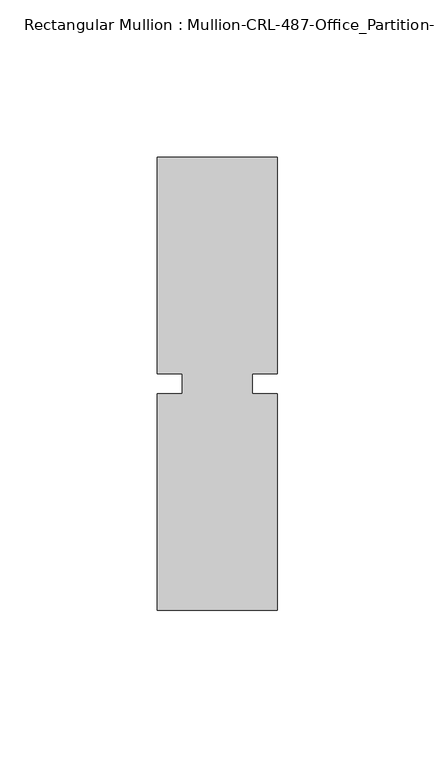
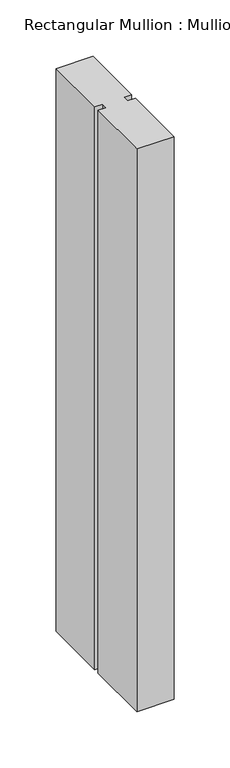
"""IFC4 building model written with IfcOpenShell, lengths in millimetres: member geometry, Rectangular Mullion : Mullion-CRL-487-Office_Partition-Intermediate_Horizontal."""

from ifc_helpers import new_model, si_unit, frame, origin, place, context, project, spatial, polyline, outline, extrude, source, transform, mapped, element, save


def rectangular_mullion_mullion_crl_487_office_partition_eba0081b(model_context):
    return source(origin(), model_context, "Body", "SweptSolid", [
        extrude(outline(polyline([(-19.05, 3.175), (-19.05, 71.9452142), (19.05, 71.9452142), (19.05, 3.175), (11.1125, 3.175), (11.1125, -3.175), (19.05, -3.175), (19.05, -71.9452143), (-19.05, -71.9452143), (-19.05, -3.175), (-11.1125, -3.175), (-11.1125, 3.175), (-19.05, 3.175)])), frame((0.0, 0.0, -611.1875), z_axis=(0.0, 0.0, 1.0), x_axis=(1.0, 0.0, 0.0)), (0.0, 0.0, 1.0), 611.1875),
    ])


if __name__ == "__main__":
    model = new_model("IFC4")
    model_context = context("Model", 3, world=origin())
    ifc_project = project(units=[si_unit("LENGTHUNIT", "METRE", prefix="MILLI")], contexts=[model_context])
    site = spatial("IfcSite", under=ifc_project)
    building = spatial("IfcBuilding", under=site)
    placement = place(None, origin())
    rectangular_mullion_mullion_crl_487_office_partition_shape = rectangular_mullion_mullion_crl_487_office_partition_eba0081b(model_context)
    element("IfcMember", 1, ObjectType="Rectangular Mullion : Mullion-CRL-487-Office_Partition-Intermediate_Horizontal", at=placement, inside=building, context=model_context, shape_type="MappedRepresentation", body=[
        mapped(rectangular_mullion_mullion_crl_487_office_partition_shape, transform((0.0, 0.0, 0.0), x_axis=(1.0, 0.0, 0.0), y_axis=(0.0, 1.0, 0.0), z_axis=(0.0, 0.0, 1.0))),
    ])
    save(model, "model.ifc")
